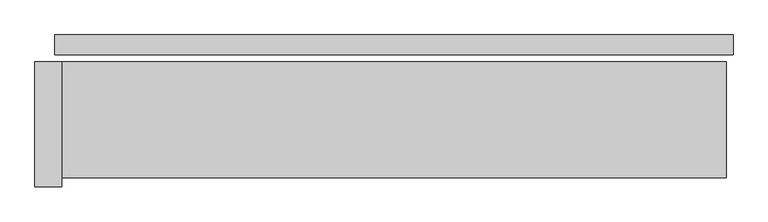
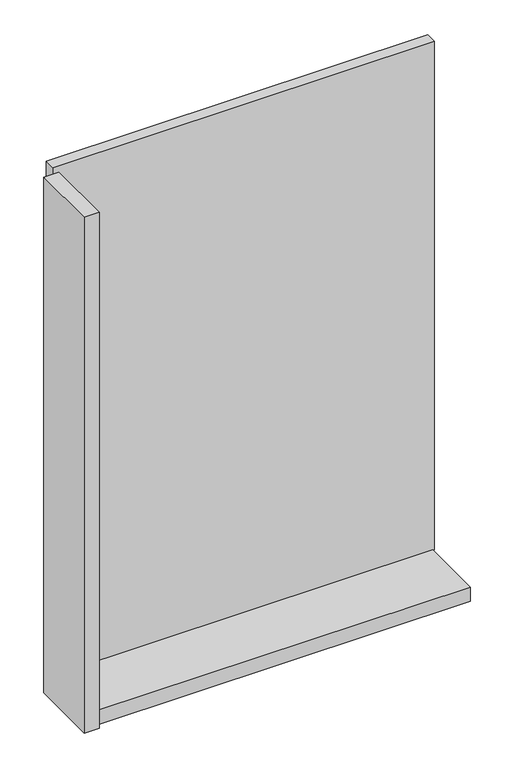
"""IFC4 building model written with IfcOpenShell, lengths in millimetres: plate geometry."""

from ifc_helpers import new_model, si_unit, frame, origin, origin_with_axes, place, context, project, spatial, polyline, outline, extrude, source, transform, mapped, element, save


def plate_edabc516(model_context):
    return source(origin(), model_context, "Body", "SweptSolid", [
        extrude(outline(polyline([(760.0, 0.0), (760.0, -44.0), (-760.0, -44.0), (-760.0, 0.0), (760.0, 0.0)])), origin_with_axes(), (0.0, 0.0, 1.0), 2142.0),
        extrude(outline(polyline([(-745.0, -60.0), (-745.0, -340.0), (-805.0, -340.0), (-805.0, -60.0), (-745.0, -60.0)])), frame((0.0, 0.0, -45.0), z_axis=(0.0, 0.0, 1.0), x_axis=(1.0, 0.0, 0.0)), (0.0, 0.0, 1.0), 2172.0),
        extrude(outline(polyline([(745.0, -320.0), (-745.0, -320.0), (-745.0, -60.0), (745.0, -60.0), (745.0, -320.0)])), frame((0.0, 0.0, -45.0), z_axis=(0.0, 0.0, 1.0), x_axis=(1.0, 0.0, 0.0)), (0.0, 0.0, 1.0), 60.0),
    ])


if __name__ == "__main__":
    model = new_model("IFC4")
    model_context = context("Model", 3, world=origin())
    ifc_project = project(units=[si_unit("LENGTHUNIT", "METRE", prefix="MILLI")], contexts=[model_context])
    site = spatial("IfcSite", under=ifc_project)
    building = spatial("IfcBuilding", under=site)
    placement = place(None, origin())
    plate_shape = plate_edabc516(model_context)
    element("IfcPlate", 1, at=placement, inside=building, context=model_context, shape_type="MappedRepresentation", body=[
        mapped(plate_shape, transform((0.0, 0.0, 0.0), x_axis=(1.0, 0.0, 0.0), y_axis=(0.0, 1.0, 0.0), z_axis=(0.0, 0.0, 1.0))),
    ])
    save(model, "model.ifc")
